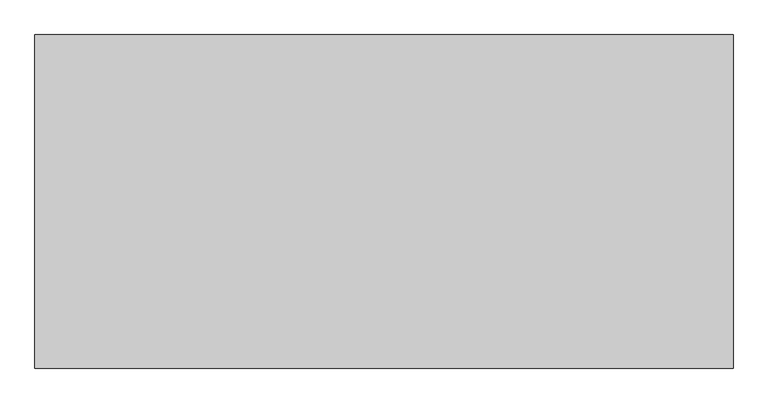
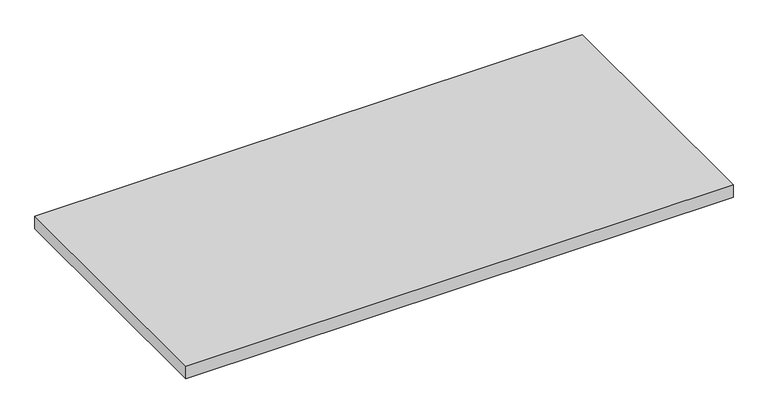
"""IFC4 building model written with IfcOpenShell, lengths in millimetres: furniture geometry."""

from ifc_helpers import new_model, si_unit, frame, origin, place, context, project, spatial, polyline, outline, extrude, source, transform, mapped, element, save


def furniture_1ce2f17f(model_context):
    return source(origin(), model_context, "Body", "SweptSolid", [
        extrude(outline(polyline([(455.676, 833.501), (455.676, 252.349), (-760.476, 252.349), (-760.476, 833.501), (455.676, 833.501)])), frame((0.0, 0.0, 707.009), z_axis=(0.0, 0.0, 1.0), x_axis=(1.0, 0.0, 0.0)), (0.0, 0.0, 1.0), 29.591),
    ])


if __name__ == "__main__":
    model = new_model("IFC4")
    model_context = context("Model", 3, world=origin())
    ifc_project = project(units=[si_unit("LENGTHUNIT", "METRE", prefix="MILLI")], contexts=[model_context])
    site = spatial("IfcSite", under=ifc_project)
    building = spatial("IfcBuilding", under=site)
    placement = place(None, origin())
    furniture_shape = furniture_1ce2f17f(model_context)
    element("IfcFurniture", 1, at=placement, inside=building, context=model_context, shape_type="MappedRepresentation", body=[
        mapped(furniture_shape, transform((0.0, 0.0, 0.0), x_axis=(1.0, 0.0, 0.0), y_axis=(0.0, 1.0, 0.0), z_axis=(0.0, 0.0, 1.0))),
    ])
    save(model, "model.ifc")
